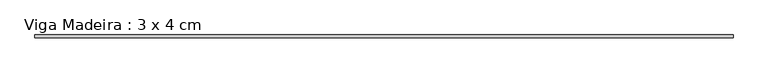
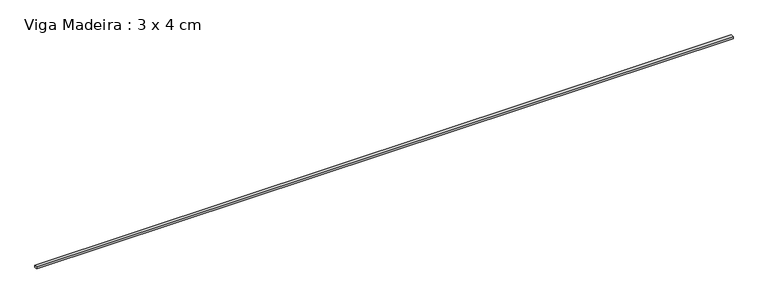
"""IFC4 building model written with IfcOpenShell, lengths in millimetres: beam geometry, Viga Madeira : 3 x 4 cm."""

from ifc_helpers import new_model, si_unit, frame, origin, place, context, project, spatial, polyline, outline, extrude, source, transform, mapped, element, save


def viga_madeira_3_x_4_cm_07e8b594(model_context):
    return source(origin(), model_context, "Body", "SweptSolid", [
        extrude(outline(polyline([(4937.3507875, 20.0), (4937.3507875, -20.0), (-4937.3507875, -20.0), (-4937.3507875, 20.0), (4937.3507875, 20.0)])), frame((0.0, 0.0, -15.0), z_axis=(0.0, 0.0, 1.0), x_axis=(1.0, 0.0, 0.0)), (0.0, 0.0, 1.0), 30.0),
    ])


if __name__ == "__main__":
    model = new_model("IFC4")
    model_context = context("Model", 3, world=origin())
    ifc_project = project(units=[si_unit("LENGTHUNIT", "METRE", prefix="MILLI")], contexts=[model_context])
    site = spatial("IfcSite", under=ifc_project)
    building = spatial("IfcBuilding", under=site)
    placement = place(None, origin())
    viga_madeira_3_x_4_cm_shape = viga_madeira_3_x_4_cm_07e8b594(model_context)
    element("IfcBeam", 1, ObjectType="Viga Madeira : 3 x 4 cm", at=placement, inside=building, context=model_context, shape_type="MappedRepresentation", body=[
        mapped(viga_madeira_3_x_4_cm_shape, transform((0.0, 0.0, 0.0), x_axis=(1.0, 0.0, 0.0), y_axis=(0.0, 1.0, 0.0), z_axis=(0.0, 0.0, 1.0))),
    ])
    save(model, "model.ifc")
